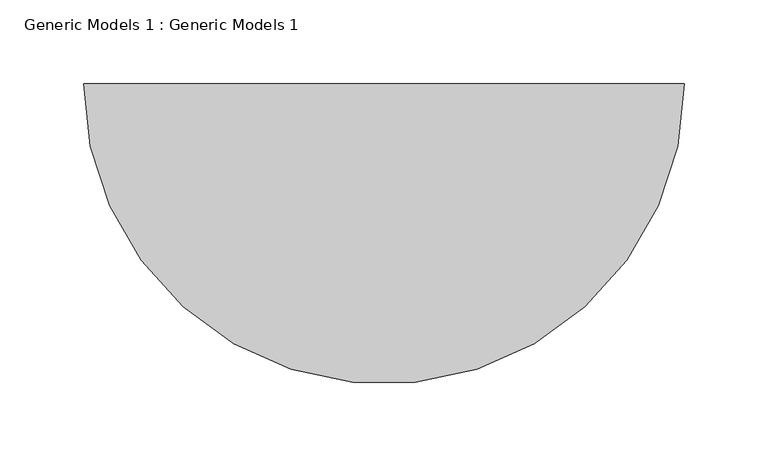
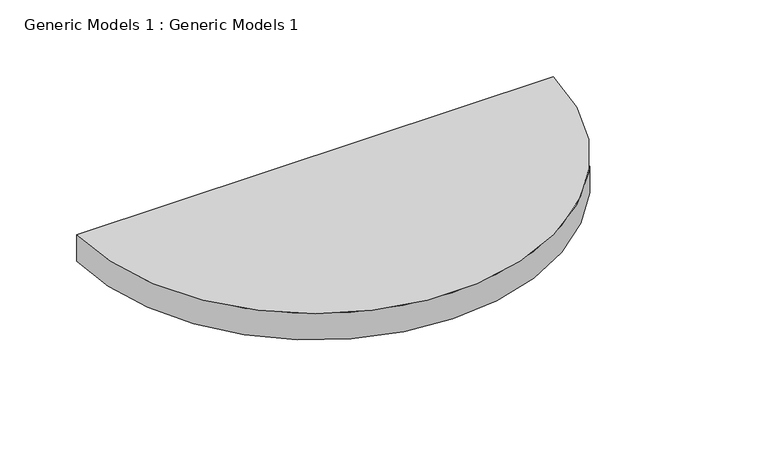
"""IFC4 building model written with IfcOpenShell, lengths in millimetres: proxy geometry, Generic Models 1 : Generic Models 1."""

import ifcopenshell
import ifcopenshell.guid

model = None  # the IFC model being written
_history = None  # IfcOwnerHistory: only IFC2X3 demands one
_inside = {}  # id of a spatial element -> (the spatial element, [elements in it])
_under = {}  # id of a project, library or spatial element -> (it, [spatial elements below it])
_declared = {}  # id of a project -> (the project, [libraries it declares])
_typed = {}  # id of a type object -> (the type object, [elements of that type])
_made_of = {}  # id of a material, layer set ... -> (it, [elements and type objects made of it])


def new_model(schema):
    """Start an empty IFC model of exactly this schema.

    Asked for "IFC4X3", IfcOpenShell would pick the latest addendum, in which some entities
    have other attributes; the version numbers below select the first issue.
    IFC2X3 requires an IfcOwnerHistory on every rooted entity: one is made here for all.
    """
    global model, _history
    if schema == "IFC4X3":
        model = ifcopenshell.file(schema_version=(4, 3, 0, 0))
    else:
        model = ifcopenshell.file(schema=schema)
    _inside.clear()
    _under.clear()
    _declared.clear()
    _typed.clear()
    _made_of.clear()
    _history = None
    if model.schema == "IFC2X3":
        org = make("IfcOrganization", Name="unknown")
        user = make(
            "IfcPersonAndOrganization",
            ThePerson=make("IfcPerson", FamilyName="unknown"),
            TheOrganization=org,
        )
        app = make(
            "IfcApplication",
            ApplicationDeveloper=org,
            Version="unknown",
            ApplicationFullName="unknown",
            ApplicationIdentifier="unknown",
        )
        _history = make(
            "IfcOwnerHistory",
            OwningUser=user,
            OwningApplication=app,
            ChangeAction="ADDED",
            CreationDate=0,
        )
    return model


def make(cls, **values):
    """One entity of the class cls with the attributes given. An attribute that is None is left unset."""
    return model.create_entity(
        cls, **{name: value for name, value in values.items() if value is not None}
    )


def rooted(cls, **values):
    """An entity with a GlobalId (a new one), such as an element, a storey or a relation."""
    return make(cls, GlobalId=ifcopenshell.guid.new(), OwnerHistory=_history, **values)


def si_unit(unit_type, name, prefix=None):
    """IfcSIUnit, for example si_unit("LENGTHUNIT", "METRE", prefix="MILLI")."""
    return make("IfcSIUnit", UnitType=unit_type, Prefix=prefix, Name=name)


def assignment(units):
    """IfcUnitAssignment: the units of a project."""
    return None if units is None else make("IfcUnitAssignment", Units=units)


def point(xyz):
    """IfcCartesianPoint."""
    return None if xyz is None else make("IfcCartesianPoint", Coordinates=xyz)


def direction(xyz):
    """IfcDirection."""
    return None if xyz is None else make("IfcDirection", DirectionRatios=xyz)


def frame(location, z_axis=None, x_axis=None):
    """IfcAxis2Placement3D, a coordinate frame: its origin and axes. An axis left out is left unset."""
    return make(
        "IfcAxis2Placement3D",
        Location=point(location),
        Axis=direction(z_axis),
        RefDirection=direction(x_axis),
    )


def frame_2d(location, x_axis=None):
    """IfcAxis2Placement2D, a coordinate frame in the plane: its origin and x axis."""
    return make(
        "IfcAxis2Placement2D", Location=point(location), RefDirection=direction(x_axis)
    )


def origin():
    """The frame at (0, 0, 0) with its axes left unset."""
    return frame((0.0, 0.0, 0.0))


def place(relative_to, where):
    """IfcLocalPlacement: puts the frame where relative to a parent placement (None: the world)."""
    return make(
        "IfcLocalPlacement", PlacementRelTo=relative_to, RelativePlacement=where
    )


def context(
    kind, dimensions, precision=None, world=None, true_north=None, identifier=None
):
    """IfcGeometricRepresentationContext, for example the 3D "Model" context."""
    return make(
        "IfcGeometricRepresentationContext",
        ContextIdentifier=identifier,
        ContextType=kind,
        CoordinateSpaceDimension=dimensions,
        Precision=precision,
        WorldCoordinateSystem=world,
        TrueNorth=true_north,
    )


def project(units=None, contexts=None):
    """IfcProject with its units and contexts."""
    return rooted(
        "IfcProject",
        Name="project",
        RepresentationContexts=contexts,
        UnitsInContext=assignment(units),
    )


def spatial(cls, under=None, at=None, **own):
    """A site, building, storey or space (cls), placed at a placement, below another one or the project."""
    s = rooted(cls, ObjectPlacement=at, **own)
    if under is not None:
        _under.setdefault(under.id(), (under, []))[1].append(s)
    return s


def polyline(points):
    """IfcPolyline through the points."""
    return make("IfcPolyline", Points=[point(p) for p in points])


def circle_curve(where, radius):
    """IfcCircle in the frame where."""
    return make("IfcCircle", Position=where, Radius=radius)


def trimmed(basis, trim1, trim2, sense, master):
    """IfcTrimmedCurve: the piece of a basis curve between two trims."""
    return make(
        "IfcTrimmedCurve",
        BasisCurve=basis,
        Trim1=trim1,
        Trim2=trim2,
        SenseAgreement=sense,
        MasterRepresentation=master,
    )


def segment(curve, same_sense, transition):
    """IfcCompositeCurveSegment."""
    return make(
        "IfcCompositeCurveSegment",
        Transition=transition,
        SameSense=same_sense,
        ParentCurve=curve,
    )


def composite_curve(segments, self_intersect=None):
    """IfcCompositeCurve: segments joined end to end."""
    return make("IfcCompositeCurve", Segments=segments, SelfIntersect=self_intersect)


def outline(outer, holes=None, kind="AREA"):
    """IfcArbitraryClosedProfileDef: a profile drawn as a closed curve; with holes, ...WithVoids."""
    if holes is None:
        return make("IfcArbitraryClosedProfileDef", ProfileType=kind, OuterCurve=outer)
    return make(
        "IfcArbitraryProfileDefWithVoids",
        ProfileType=kind,
        OuterCurve=outer,
        InnerCurves=holes,
    )


def extrude(swept, where, along, depth):
    """IfcExtrudedAreaSolid: the profile swept, set in the frame where, extruded along a direction by depth."""
    return make(
        "IfcExtrudedAreaSolid",
        SweptArea=swept,
        Position=where,
        ExtrudedDirection=direction(along),
        Depth=depth,
    )


def shape(context_of_items, identifier, shape_type, items):
    """IfcShapeRepresentation: the items that make up one representation, for example the "Body"."""
    return make(
        "IfcShapeRepresentation",
        ContextOfItems=context_of_items,
        RepresentationIdentifier=identifier,
        RepresentationType=shape_type,
        Items=items,
    )


def source(mapping_origin, context_of_items, identifier, shape_type, items):
    """IfcRepresentationMap: a shape defined once, which mapped items show again and again."""
    return make(
        "IfcRepresentationMap",
        MappingOrigin=mapping_origin,
        MappedRepresentation=shape(context_of_items, identifier, shape_type, items),
    )


def transform(
    local_origin,
    x_axis=None,
    y_axis=None,
    z_axis=None,
    scale=None,
    scale2=None,
    scale3=None,
    uniform=True,
):
    """IfcCartesianTransformationOperator3D, or its non-uniform kind. x_axis, y_axis, z_axis: its Axis1, 2, 3."""
    if uniform:
        return make(
            "IfcCartesianTransformationOperator3D",
            Axis1=direction(x_axis),
            Axis2=direction(y_axis),
            LocalOrigin=point(local_origin),
            Scale=scale,
            Axis3=direction(z_axis),
        )
    return make(
        "IfcCartesianTransformationOperator3DnonUniform",
        Axis1=direction(x_axis),
        Axis2=direction(y_axis),
        LocalOrigin=point(local_origin),
        Scale=scale,
        Axis3=direction(z_axis),
        Scale2=scale2,
        Scale3=scale3,
    )


def mapped(mapping_source, mapping_target):
    """IfcMappedItem: shows the shape of a source again, moved by a transform."""
    return make(
        "IfcMappedItem", MappingSource=mapping_source, MappingTarget=mapping_target
    )


def made_of(thing, what):
    """Note that an element or type object is made of a material, layer set ...; save() writes the relation."""
    if what is not None:
        _made_of.setdefault(what.id(), (what, []))[1].append(thing)
    return thing


def element(
    cls,
    number,
    at=None,
    inside=None,
    cuts=None,
    type_object=None,
    material=None,
    context=None,
    identifier="Body",
    shape_type=None,
    held_by="IfcProductDefinitionShape",
    body=None,
    shapes=None,
    **own,
):
    """One element of the class cls, such as IfcWall. Its Tag is "e" and its number.

    at: its placement. inside: the storey or other place that contains it. cuts: it is an
    opening in that element (IfcRelVoidsElement). A single representation is given by context,
    identifier, shape_type and body (its items); several are given by shapes. held_by: the class
    of the entity that holds the representations. save() writes the other relations.
    """
    e = rooted(cls, Tag="e%d" % number, ObjectPlacement=at, **own)
    if body is not None:
        shapes = [shape(context, identifier, shape_type, body)]
    if shapes is not None:
        e.Representation = make(held_by, Representations=shapes)
    if inside is not None:
        _inside.setdefault(inside.id(), (inside, []))[1].append(e)
    if cuts is not None:
        rooted(
            "IfcRelVoidsElement", RelatingBuildingElement=cuts, RelatedOpeningElement=e
        )
    if type_object is not None:
        _typed.setdefault(type_object.id(), (type_object, []))[1].append(e)
    return made_of(e, material)


def aggregate(whole, parts):
    """IfcRelAggregates: a whole, such as a stair, and the parts it consists of."""
    return rooted("IfcRelAggregates", RelatingObject=whole, RelatedObjects=parts)


def save(model, path):
    """Write the relations noted so far, then the file.

    IfcRelAggregates (storeys below a building ...), IfcRelContainedInSpatialStructure (elements
    in a storey), IfcRelDefinesByType, IfcRelAssociatesMaterial and IfcRelDeclares: one each for
    every whole, place, type object, material and project.
    """
    for whole, parts in _under.values():
        aggregate(whole, parts)
    for where, things in _inside.values():
        rooted(
            "IfcRelContainedInSpatialStructure",
            RelatedElements=things,
            RelatingStructure=where,
        )
    for kind, things in _typed.values():
        rooted("IfcRelDefinesByType", RelatedObjects=things, RelatingType=kind)
    for what, things in _made_of.values():
        rooted("IfcRelAssociatesMaterial", RelatedObjects=things, RelatingMaterial=what)
    for by, libraries in _declared.values():
        rooted("IfcRelDeclares", RelatingContext=by, RelatedDefinitions=libraries)
    model.write(path)


def generic_models_1_generic_models_1_894f5117(model_context):
    return source(origin(), model_context, "Body", "SweptSolid", [
        extrude(outline(composite_curve([segment(trimmed(circle_curve(frame_2d((22472.8046761, -11950.3711603)), 178.8284062), [point((22651.6330823, -11950.3711603))], [point((22293.9762699, -11950.3711603))], False, "CARTESIAN"), True, "CONTINUOUS"), segment(polyline([(22293.9762699, -11950.3711603), (22651.6330823, -11950.3711603)]), True, "CONTINUOUS")], self_intersect=False)), frame((0.0, 0.0, 893.4514931), z_axis=(0.0, 0.0, 1.0), x_axis=(1.0, 0.0, 0.0)), (0.0, 0.0, 1.0), 20.9485069),
    ])


if __name__ == "__main__":
    model = new_model("IFC4")
    model_context = context("Model", 3, world=origin())
    ifc_project = project(units=[si_unit("LENGTHUNIT", "METRE", prefix="MILLI")], contexts=[model_context])
    site = spatial("IfcSite", under=ifc_project)
    building = spatial("IfcBuilding", under=site)
    placement = place(None, origin())
    generic_models_1_generic_models_1_shape = generic_models_1_generic_models_1_894f5117(model_context)
    element("IfcBuildingElementProxy", 1, Name="Generic Models 1 : Generic Models 1", ObjectType="Generic Models 1 : Generic Models 1", at=placement, inside=building, context=model_context, shape_type="MappedRepresentation", body=[
        mapped(generic_models_1_generic_models_1_shape, transform((0.0, 0.0, 0.0), x_axis=(1.0, 0.0, 0.0), y_axis=(0.0, 1.0, 0.0), z_axis=(0.0, 0.0, 1.0))),
    ])
    save(model, "model.ifc")
